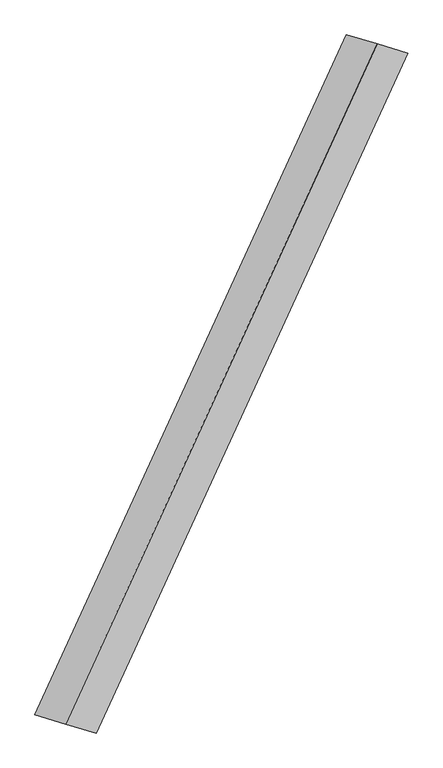
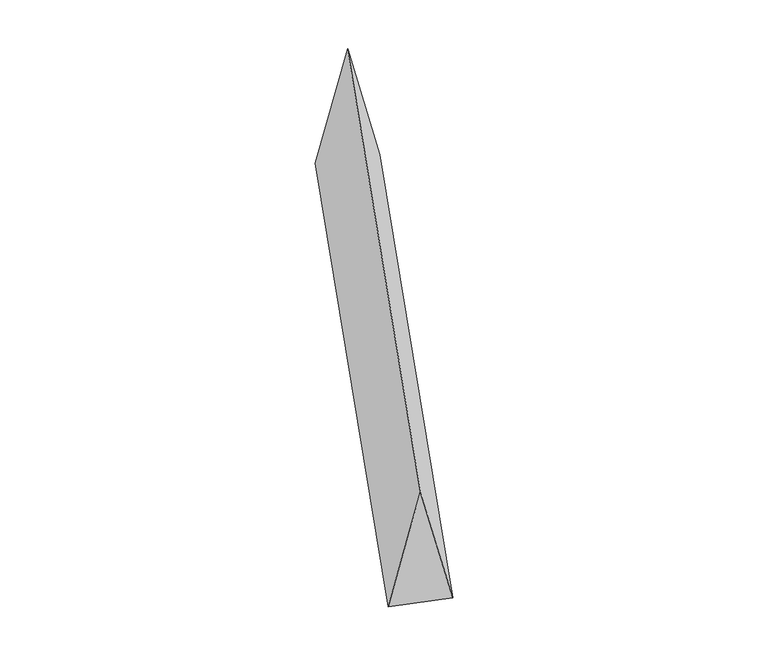
"""IFC4 building model written with IfcOpenShell, lengths in millimetres: proxy geometry."""

from ifc_helpers import new_model, si_unit, origin, place, context, project, spatial, faceted_brep, source, transform, mapped, element, save


def generic_models_9580b1f1(model_context):
    return source(origin(), model_context, "Body", "Brep", [
        faceted_brep([(-841.6229447, -1836.8581492, 700.0), (-675.9658848, -1885.7708187, 0.0), (1007.2800046, 1787.9454797, 0.0), (841.6229447, 1836.8581492, 700.0), (-1007.2800046, -1787.9454797, 0.0), (675.9658848, 1885.7708187, 0.0)], [[[0, 1, 2, 3]], [[1, 4, 5, 2]], [[4, 0, 3, 5]], [[3, 2, 5]], [[0, 4, 1]]]),
    ])


if __name__ == "__main__":
    model = new_model("IFC4")
    model_context = context("Model", 3, world=origin())
    ifc_project = project(units=[si_unit("LENGTHUNIT", "METRE", prefix="MILLI")], contexts=[model_context])
    site = spatial("IfcSite", under=ifc_project)
    building = spatial("IfcBuilding", under=site)
    placement = place(None, origin())
    generic_models_shape = generic_models_9580b1f1(model_context)
    element("IfcBuildingElementProxy", 1, Name="Generic Models", at=placement, inside=building, context=model_context, shape_type="MappedRepresentation", body=[
        mapped(generic_models_shape, transform((0.0, 0.0, 0.0), x_axis=(1.0, 0.0, 0.0), y_axis=(0.0, 1.0, 0.0), z_axis=(0.0, 0.0, 1.0))),
    ])
    save(model, "model.ifc")
